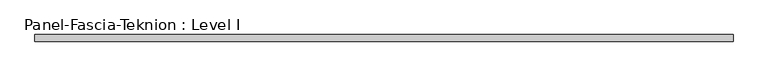
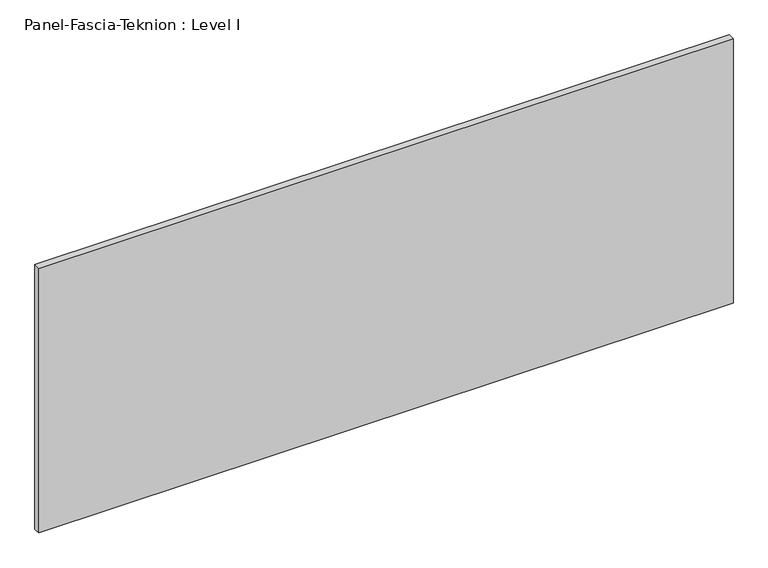
"""IFC4 building model written with IfcOpenShell, lengths in millimetres: proxy geometry, Panel-Fascia-Teknion : Level I."""

import ifcopenshell
import ifcopenshell.guid

model = None  # the IFC model being written
_history = None  # IfcOwnerHistory: only IFC2X3 demands one
_inside = {}  # id of a spatial element -> (the spatial element, [elements in it])
_under = {}  # id of a project, library or spatial element -> (it, [spatial elements below it])
_declared = {}  # id of a project -> (the project, [libraries it declares])
_typed = {}  # id of a type object -> (the type object, [elements of that type])
_made_of = {}  # id of a material, layer set ... -> (it, [elements and type objects made of it])


def new_model(schema):
    """Start an empty IFC model of exactly this schema.

    Asked for "IFC4X3", IfcOpenShell would pick the latest addendum, in which some entities
    have other attributes; the version numbers below select the first issue.
    IFC2X3 requires an IfcOwnerHistory on every rooted entity: one is made here for all.
    """
    global model, _history
    if schema == "IFC4X3":
        model = ifcopenshell.file(schema_version=(4, 3, 0, 0))
    else:
        model = ifcopenshell.file(schema=schema)
    _inside.clear()
    _under.clear()
    _declared.clear()
    _typed.clear()
    _made_of.clear()
    _history = None
    if model.schema == "IFC2X3":
        org = make("IfcOrganization", Name="unknown")
        user = make(
            "IfcPersonAndOrganization",
            ThePerson=make("IfcPerson", FamilyName="unknown"),
            TheOrganization=org,
        )
        app = make(
            "IfcApplication",
            ApplicationDeveloper=org,
            Version="unknown",
            ApplicationFullName="unknown",
            ApplicationIdentifier="unknown",
        )
        _history = make(
            "IfcOwnerHistory",
            OwningUser=user,
            OwningApplication=app,
            ChangeAction="ADDED",
            CreationDate=0,
        )
    return model


def make(cls, **values):
    """One entity of the class cls with the attributes given. An attribute that is None is left unset."""
    return model.create_entity(
        cls, **{name: value for name, value in values.items() if value is not None}
    )


def rooted(cls, **values):
    """An entity with a GlobalId (a new one), such as an element, a storey or a relation."""
    return make(cls, GlobalId=ifcopenshell.guid.new(), OwnerHistory=_history, **values)


def si_unit(unit_type, name, prefix=None):
    """IfcSIUnit, for example si_unit("LENGTHUNIT", "METRE", prefix="MILLI")."""
    return make("IfcSIUnit", UnitType=unit_type, Prefix=prefix, Name=name)


def assignment(units):
    """IfcUnitAssignment: the units of a project."""
    return None if units is None else make("IfcUnitAssignment", Units=units)


def point(xyz):
    """IfcCartesianPoint."""
    return None if xyz is None else make("IfcCartesianPoint", Coordinates=xyz)


def direction(xyz):
    """IfcDirection."""
    return None if xyz is None else make("IfcDirection", DirectionRatios=xyz)


def frame(location, z_axis=None, x_axis=None):
    """IfcAxis2Placement3D, a coordinate frame: its origin and axes. An axis left out is left unset."""
    return make(
        "IfcAxis2Placement3D",
        Location=point(location),
        Axis=direction(z_axis),
        RefDirection=direction(x_axis),
    )


def origin():
    """The frame at (0, 0, 0) with its axes left unset."""
    return frame((0.0, 0.0, 0.0))


def place(relative_to, where):
    """IfcLocalPlacement: puts the frame where relative to a parent placement (None: the world)."""
    return make(
        "IfcLocalPlacement", PlacementRelTo=relative_to, RelativePlacement=where
    )


def context(
    kind, dimensions, precision=None, world=None, true_north=None, identifier=None
):
    """IfcGeometricRepresentationContext, for example the 3D "Model" context."""
    return make(
        "IfcGeometricRepresentationContext",
        ContextIdentifier=identifier,
        ContextType=kind,
        CoordinateSpaceDimension=dimensions,
        Precision=precision,
        WorldCoordinateSystem=world,
        TrueNorth=true_north,
    )


def project(units=None, contexts=None):
    """IfcProject with its units and contexts."""
    return rooted(
        "IfcProject",
        Name="project",
        RepresentationContexts=contexts,
        UnitsInContext=assignment(units),
    )


def spatial(cls, under=None, at=None, **own):
    """A site, building, storey or space (cls), placed at a placement, below another one or the project."""
    s = rooted(cls, ObjectPlacement=at, **own)
    if under is not None:
        _under.setdefault(under.id(), (under, []))[1].append(s)
    return s


def polyline(points):
    """IfcPolyline through the points."""
    return make("IfcPolyline", Points=[point(p) for p in points])


def outline(outer, holes=None, kind="AREA"):
    """IfcArbitraryClosedProfileDef: a profile drawn as a closed curve; with holes, ...WithVoids."""
    if holes is None:
        return make("IfcArbitraryClosedProfileDef", ProfileType=kind, OuterCurve=outer)
    return make(
        "IfcArbitraryProfileDefWithVoids",
        ProfileType=kind,
        OuterCurve=outer,
        InnerCurves=holes,
    )


def extrude(swept, where, along, depth):
    """IfcExtrudedAreaSolid: the profile swept, set in the frame where, extruded along a direction by depth."""
    return make(
        "IfcExtrudedAreaSolid",
        SweptArea=swept,
        Position=where,
        ExtrudedDirection=direction(along),
        Depth=depth,
    )


def shape(context_of_items, identifier, shape_type, items):
    """IfcShapeRepresentation: the items that make up one representation, for example the "Body"."""
    return make(
        "IfcShapeRepresentation",
        ContextOfItems=context_of_items,
        RepresentationIdentifier=identifier,
        RepresentationType=shape_type,
        Items=items,
    )


def source(mapping_origin, context_of_items, identifier, shape_type, items):
    """IfcRepresentationMap: a shape defined once, which mapped items show again and again."""
    return make(
        "IfcRepresentationMap",
        MappingOrigin=mapping_origin,
        MappedRepresentation=shape(context_of_items, identifier, shape_type, items),
    )


def transform(
    local_origin,
    x_axis=None,
    y_axis=None,
    z_axis=None,
    scale=None,
    scale2=None,
    scale3=None,
    uniform=True,
):
    """IfcCartesianTransformationOperator3D, or its non-uniform kind. x_axis, y_axis, z_axis: its Axis1, 2, 3."""
    if uniform:
        return make(
            "IfcCartesianTransformationOperator3D",
            Axis1=direction(x_axis),
            Axis2=direction(y_axis),
            LocalOrigin=point(local_origin),
            Scale=scale,
            Axis3=direction(z_axis),
        )
    return make(
        "IfcCartesianTransformationOperator3DnonUniform",
        Axis1=direction(x_axis),
        Axis2=direction(y_axis),
        LocalOrigin=point(local_origin),
        Scale=scale,
        Axis3=direction(z_axis),
        Scale2=scale2,
        Scale3=scale3,
    )


def mapped(mapping_source, mapping_target):
    """IfcMappedItem: shows the shape of a source again, moved by a transform."""
    return make(
        "IfcMappedItem", MappingSource=mapping_source, MappingTarget=mapping_target
    )


def made_of(thing, what):
    """Note that an element or type object is made of a material, layer set ...; save() writes the relation."""
    if what is not None:
        _made_of.setdefault(what.id(), (what, []))[1].append(thing)
    return thing


def element(
    cls,
    number,
    at=None,
    inside=None,
    cuts=None,
    type_object=None,
    material=None,
    context=None,
    identifier="Body",
    shape_type=None,
    held_by="IfcProductDefinitionShape",
    body=None,
    shapes=None,
    **own,
):
    """One element of the class cls, such as IfcWall. Its Tag is "e" and its number.

    at: its placement. inside: the storey or other place that contains it. cuts: it is an
    opening in that element (IfcRelVoidsElement). A single representation is given by context,
    identifier, shape_type and body (its items); several are given by shapes. held_by: the class
    of the entity that holds the representations. save() writes the other relations.
    """
    e = rooted(cls, Tag="e%d" % number, ObjectPlacement=at, **own)
    if body is not None:
        shapes = [shape(context, identifier, shape_type, body)]
    if shapes is not None:
        e.Representation = make(held_by, Representations=shapes)
    if inside is not None:
        _inside.setdefault(inside.id(), (inside, []))[1].append(e)
    if cuts is not None:
        rooted(
            "IfcRelVoidsElement", RelatingBuildingElement=cuts, RelatedOpeningElement=e
        )
    if type_object is not None:
        _typed.setdefault(type_object.id(), (type_object, []))[1].append(e)
    return made_of(e, material)


def aggregate(whole, parts):
    """IfcRelAggregates: a whole, such as a stair, and the parts it consists of."""
    return rooted("IfcRelAggregates", RelatingObject=whole, RelatedObjects=parts)


def save(model, path):
    """Write the relations noted so far, then the file.

    IfcRelAggregates (storeys below a building ...), IfcRelContainedInSpatialStructure (elements
    in a storey), IfcRelDefinesByType, IfcRelAssociatesMaterial and IfcRelDeclares: one each for
    every whole, place, type object, material and project.
    """
    for whole, parts in _under.values():
        aggregate(whole, parts)
    for where, things in _inside.values():
        rooted(
            "IfcRelContainedInSpatialStructure",
            RelatedElements=things,
            RelatingStructure=where,
        )
    for kind, things in _typed.values():
        rooted("IfcRelDefinesByType", RelatedObjects=things, RelatingType=kind)
    for what, things in _made_of.values():
        rooted("IfcRelAssociatesMaterial", RelatedObjects=things, RelatingMaterial=what)
    for by, libraries in _declared.values():
        rooted("IfcRelDeclares", RelatingContext=by, RelatedDefinitions=libraries)
    model.write(path)


def panel_fascia_teknion_level_i_ec07af2e(model_context):
    return source(origin(), model_context, "Body", "SweptSolid", [
        extrude(outline(polyline([(1005.8356344, -9.525), (-1005.8356344, -9.525), (-1005.8356344, 9.525), (1005.8356344, 9.525), (1005.8356344, -9.525)])), frame((0.0, 0.0, 3.175), z_axis=(0.0, 0.0, 1.0), x_axis=(1.0, 0.0, 0.0)), (0.0, 0.0, 1.0), 810.768),
    ])


if __name__ == "__main__":
    model = new_model("IFC4")
    model_context = context("Model", 3, world=origin())
    ifc_project = project(units=[si_unit("LENGTHUNIT", "METRE", prefix="MILLI")], contexts=[model_context])
    site = spatial("IfcSite", under=ifc_project)
    building = spatial("IfcBuilding", under=site)
    placement = place(None, origin())
    panel_fascia_teknion_level_i_shape = panel_fascia_teknion_level_i_ec07af2e(model_context)
    element("IfcBuildingElementProxy", 1, Name="Panel-Fascia-Teknion : Level I", ObjectType="Panel-Fascia-Teknion : Level I", at=placement, inside=building, context=model_context, shape_type="MappedRepresentation", body=[
        mapped(panel_fascia_teknion_level_i_shape, transform((0.0, 0.0, 0.0), x_axis=(1.0, 0.0, 0.0), y_axis=(0.0, 1.0, 0.0), z_axis=(0.0, 0.0, 1.0))),
    ])
    save(model, "model.ifc")
